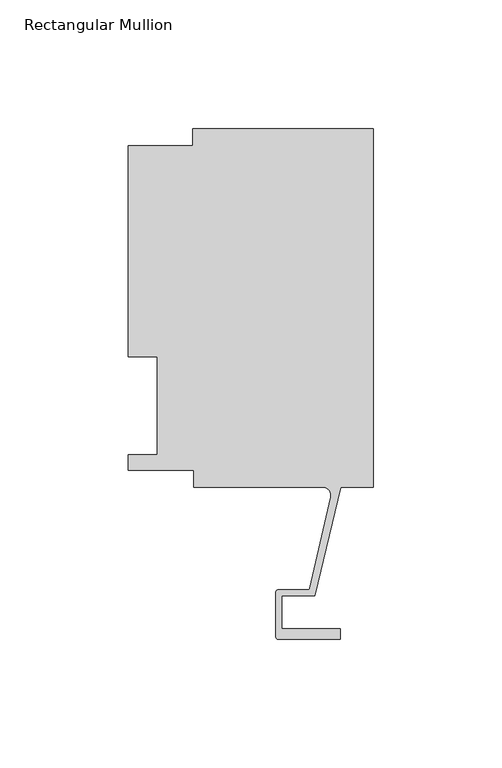
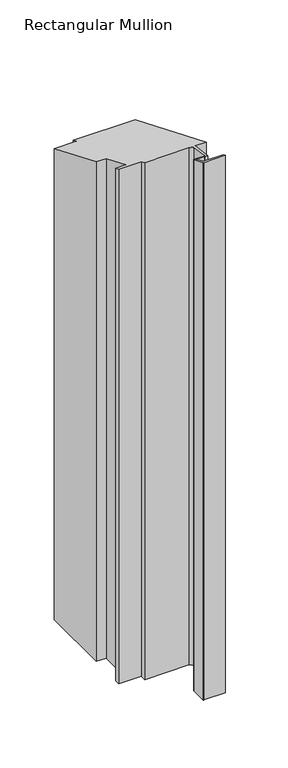
"""IFC4 building model written with IfcOpenShell, lengths in millimetres: member geometry, Rectangular Mullion."""

from ifc_helpers import new_model, si_unit, frame, origin, place, context, project, spatial, polyline, circle_curve, ellipse_curve, source, transform, mapped, element, save
from ifc_brep_helpers import plane_surface, cylinder_surface, revolved_surface, advanced_brep


def rectangular_mullion_ad9bf691(model_context):
    return source(origin(), model_context, "Body", "AdvancedBrep", [
        advanced_brep(
        [(-70.3072, 133.3497673, -616.102387), (0.0, 133.3497673, -616.102387), (0.0, -6.2261964, -616.102387), (-12.7, -6.2261964, -616.102387), (-22.7594087, -48.4980559, -616.102387), (-35.5718677, -48.4980559, -616.102387), (-35.5718677, -61.4062974, -616.102387), (-12.7611926, -61.4062974, -616.102387), (-12.7611926, -65.3940974, -616.102387), (-37.0704677, -65.3940974, -616.102387), (-37.8578677, -64.6066974, -616.102387), (-37.8578677, -46.9740559, -616.102387), (-37.0958677, -46.2120559, -616.102387), (-25.3893173, -46.2120559, -616.102387), (-24.6514289, -45.6402261, -616.102387), (-16.585275, -10.1039944, -616.102387), (-19.681515, -6.2261976, -616.102387), (-69.85, -6.2261976, -616.102387), (-69.85, 0.4063003, -616.102387), (-95.25, 0.4063003, -616.102387), (-95.25, 6.35, -616.102387), (-84.1375, 6.35, -616.102387), (-84.1375, 44.45, -616.102387), (-95.25, 44.45, -616.102387), (-95.25, 126.6189003, -616.102387), (-70.3072, 126.6189003, -616.102387), (-70.3072, 133.3497673, -55.2352822), (0.0, 133.3497673, -55.2352822), (-70.3072, 126.6189003, -52.4472658), (-95.25, 126.6189003, -52.4472658), (-95.25, 44.45, -18.4117928), (-84.1375, 44.45, -18.4117928), (-84.1375, 6.35, -2.6302561), (-95.25, 6.35, -2.6302561), (-95.25, 0.4063003, -0.1682951), (-69.85, 0.4063003, -0.1682951), (-69.85, -6.2261976, 2.5789755), (-19.681515, -6.2261976, 2.5789755), (-16.585275, -10.1039944, 4.1852115), (-24.6514289, -45.6402261, 18.9048006), (-25.3893173, -46.2120559, 19.1416603), (-37.0958677, -46.2120559, 19.1416603), (-37.8578677, -46.9740559, 19.457291), (-37.8578677, -64.6066974, 26.7609703), (-37.0704677, -65.3940974, 27.087122), (-12.7611926, -65.3940974, 27.087122), (-12.7611926, -61.4062974, 25.4353212), (-35.5718677, -61.4062974, 25.4353212), (-35.5718677, -48.4980559, 20.0885525), (-22.7594087, -48.4980559, 20.0885525), (-12.7, -6.2261964, 2.578975), (0.0, -6.2261964, 2.578975)],
        [
            (0, 1),
            (1, 2),
            (2, 3),
            (3, 4),
            (4, 5),
            (5, 6),
            (6, 7),
            (7, 8),
            (8, 9),
            (9, 10, circle_curve(frame((-37.0704677, -64.6066974, -616.102387), z_axis=(0.0, 0.0, -1.0), x_axis=(0.0, 1.0, 0.0)), 0.7874)),
            (10, 11),
            (11, 12, circle_curve(frame((-37.0958677, -46.9740559, -616.102387), z_axis=(0.0, 0.0, -1.0), x_axis=(0.0, 1.0, 0.0)), 0.762)),
            (12, 13),
            (13, 14, circle_curve(frame((-25.3679884, -45.4775786, -616.102387), z_axis=(0.0, 0.0, 1.0), x_axis=(0.0, 1.0, 0.0)), 0.7347869)),
            (14, 15),
            (15, 16, circle_curve(frame((-19.681515, -9.4011976, -616.102387), z_axis=(0.0, 0.0, 1.0), x_axis=(0.0, 1.0, 0.0)), 3.175)),
            (16, 17),
            (17, 18),
            (18, 19),
            (19, 20),
            (20, 21),
            (21, 22),
            (22, 23),
            (23, 24),
            (24, 25),
            (25, 0),
            (26, 27),
            (27, 1),
            (0, 26),
            (28, 26),
            (25, 28),
            (29, 28),
            (24, 29),
            (30, 29),
            (23, 30),
            (31, 30),
            (22, 31),
            (32, 31),
            (21, 32),
            (33, 32),
            (20, 33),
            (34, 33),
            (19, 34),
            (35, 34),
            (18, 35),
            (36, 35),
            (17, 36),
            (37, 36),
            (16, 37),
            (38, 37, ellipse_curve(frame((-19.681515, -9.4011976, 3.8941036), z_axis=(0.0, 0.38268343236508945, 0.9238795325112868), x_axis=(0.0, 0.923879532511287, -0.3826834323650896)), 3.4365952, 3.175)),
            (15, 38),
            (39, 38),
            (14, 39),
            (40, 39, ellipse_curve(frame((-25.3679884, -45.4775786, 18.8374298), z_axis=(0.0, 0.38268343236508945, 0.9238795325112868), x_axis=(0.0, 0.923879532511287, -0.3826834323650896)), 0.7953276, 0.7347869)),
            (13, 40),
            (41, 40),
            (12, 41),
            (42, 41, ellipse_curve(frame((-37.0958677, -46.9740559, 19.457291), z_axis=(0.0, -0.38268343236508945, -0.9238795325112868), x_axis=(0.0, -0.923879532511287, 0.3826834323650896)), 0.8247829, 0.762)),
            (11, 42),
            (43, 42),
            (10, 43),
            (44, 43, ellipse_curve(frame((-37.0704677, -64.6066974, 26.7609703), z_axis=(0.0, -0.38268343236508945, -0.9238795325112868), x_axis=(0.0, -0.923879532511287, 0.3826834323650896)), 0.8522756, 0.7874)),
            (9, 44),
            (45, 44),
            (8, 45),
            (46, 45),
            (7, 46),
            (47, 46),
            (6, 47),
            (48, 47),
            (5, 48),
            (49, 48),
            (4, 49),
            (50, 49),
            (3, 50),
            (51, 50),
            (2, 51),
            (27, 51),
        ],
        [
            plane_surface(frame((0.0, -158.4452852, -616.102387), z_axis=(0.0, 0.0, -1.0), x_axis=(-1.0, 0.0, 0.0))),
            plane_surface(frame((0.0, 133.3497673, 0.0), z_axis=(0.0, 1.0, 0.0), x_axis=(0.0, 0.0, -1.0))),
            plane_surface(frame((-70.3072, 133.3497673, 0.0), z_axis=(-1.0, 0.0, 0.0), x_axis=(0.0, 0.0, -1.0))),
            plane_surface(frame((-70.3072, 126.6189003, 0.0), z_axis=(0.0, 1.0, 0.0), x_axis=(0.0, 0.0, -1.0))),
            plane_surface(frame((-95.25, 126.6189003, 0.0), z_axis=(-1.0, 0.0, 0.0), x_axis=(0.0, 0.0, -1.0))),
            plane_surface(frame((-95.25, 44.45, 0.0), z_axis=(0.0, -1.0, 0.0), x_axis=(0.0, 0.0, -1.0))),
            plane_surface(frame((-84.1375, 44.45, 0.0), z_axis=(-1.0, 0.0, 0.0), x_axis=(0.0, 0.0, -1.0))),
            plane_surface(frame((-84.1375, 6.35, 0.0), z_axis=(0.0, 1.0, 0.0), x_axis=(0.0, 0.0, -1.0))),
            plane_surface(frame((-95.25, 6.35, 0.0), z_axis=(-1.0, 0.0, 0.0), x_axis=(0.0, 0.0, -1.0))),
            plane_surface(frame((-95.25, 0.4063003, 0.0), z_axis=(0.0, -1.0, 0.0), x_axis=(0.0, 0.0, -1.0))),
            plane_surface(frame((-69.85, 0.4063003, 0.0), z_axis=(-1.0, 0.0, 0.0), x_axis=(0.0, 0.0, -1.0))),
            plane_surface(frame((-69.85, -6.2261976, 0.0), z_axis=(0.0, -1.0, 0.0), x_axis=(0.0, 0.0, -1.0))),
            revolved_surface(polyline([(-19.681515, -6.2261976, -616.102387), (-19.681515, -6.2261976, 5.209231646785392)]), (-19.681515, -9.4011976, 0.0), (0.0, 0.0, -1.0)),
            plane_surface(frame((-16.585275, -10.1039944, 0.0), z_axis=(-0.9751936808086197, 0.2213533033657647, 0.0), x_axis=(0.0, 0.0, -1.0))),
            revolved_surface(polyline([(-25.3679884, -44.7427917, -616.102387), (-25.3679884, -44.7427917, 19.141788495822688)]), (-25.3679884, -45.4775786, 0.0), (0.0, 0.0, -1.0)),
            plane_surface(frame((-25.3893173, -46.2120559, 0.0), z_axis=(0.0, 1.0, 0.0), x_axis=(0.0, 0.0, -1.0))),
            cylinder_surface(frame((-37.0958677, -46.9740559, 0.0), z_axis=(0.0, 0.0, 1.0), x_axis=(0.0, 1.0, 0.0)), 0.762),
            plane_surface(frame((-37.8578677, -46.9740559, 0.0), z_axis=(-1.0, 0.0, 0.0), x_axis=(0.0, 0.0, -1.0))),
            cylinder_surface(frame((-37.0704677, -64.6066974, 0.0), z_axis=(0.0, 0.0, 1.0), x_axis=(0.0, 1.0, 0.0)), 0.7874),
            plane_surface(frame((-37.0704677, -65.3940974, 0.0), z_axis=(0.0, -1.0, 0.0), x_axis=(0.0, 0.0, -1.0))),
            plane_surface(frame((-12.7611926, -65.3940974, 0.0), z_axis=(1.0, 0.0, 0.0), x_axis=(0.0, 0.0, -1.0))),
            plane_surface(frame((-12.7611926, -61.4062974, 0.0), z_axis=(0.0, 1.0, 0.0), x_axis=(0.0, 0.0, -1.0))),
            plane_surface(frame((-35.5718677, -61.4062974, 0.0), z_axis=(1.0, 0.0, 0.0), x_axis=(0.0, 0.0, -1.0))),
            plane_surface(frame((-35.5718677, -48.4980559, 0.0), z_axis=(0.0, -1.0, 0.0), x_axis=(0.0, 0.0, -1.0))),
            plane_surface(frame((-22.7594087, -48.4980559, 0.0), z_axis=(0.9728337932070832, -0.23150466689533117, 0.0), x_axis=(0.0, 0.0, -1.0))),
            plane_surface(frame((-12.7, -6.2261964, 0.0), z_axis=(0.0, -1.0, 0.0), x_axis=(0.0, 0.0, -1.0))),
            plane_surface(frame((0.0, -6.2261964, 0.0), z_axis=(1.0, 0.0, 0.0), x_axis=(0.0, 0.0, -1.0))),
            plane_surface(frame((-304.8, 0.0, 0.0), z_axis=(0.0, 0.38268343236508945, 0.9238795325112868), x_axis=(0.0, 0.9238795325112868, -0.38268343236508945))),
        ],
        [
            (0, [[1, 2, 3, 4, 5, 6, 7, 8, 9, 10, 11, 12, 13, 14, 15, 16, 17, 18, 19, 20, 21, 22, 23, 24, 25, 26]]),
            (1, [[27, 28, -1, 29]]),
            (2, [[30, -29, -26, 31]]),
            (3, [[32, -31, -25, 33]]),
            (4, [[34, -33, -24, 35]]),
            (5, [[36, -35, -23, 37]]),
            (6, [[38, -37, -22, 39]]),
            (7, [[40, -39, -21, 41]]),
            (8, [[42, -41, -20, 43]]),
            (9, [[44, -43, -19, 45]]),
            (10, [[46, -45, -18, 47]]),
            (11, [[48, -47, -17, 49]]),
            (12, [[50, -49, -16, 51]]),
            (13, [[52, -51, -15, 53]]),
            (14, [[54, -53, -14, 55]]),
            (15, [[56, -55, -13, 57]]),
            (16, [[58, -57, -12, 59]]),
            (17, [[60, -59, -11, 61]]),
            (18, [[62, -61, -10, 63]]),
            (19, [[64, -63, -9, 65]]),
            (20, [[66, -65, -8, 67]]),
            (21, [[68, -67, -7, 69]]),
            (22, [[70, -69, -6, 71]]),
            (23, [[72, -71, -5, 73]]),
            (24, [[74, -73, -4, 75]]),
            (25, [[76, -75, -3, 77]]),
            (26, [[78, -77, -2, -28]]),
            (27, [[-30, -32, -34, -36, -38, -40, -42, -44, -46, -48, -50, -52, -54, -56, -58, -60, -62, -64, -66, -68, -70, -72, -74, -76, -78, -27]]),
        ],
    ),
    ])


if __name__ == "__main__":
    model = new_model("IFC4")
    model_context = context("Model", 3, world=origin())
    ifc_project = project(units=[si_unit("LENGTHUNIT", "METRE", prefix="MILLI")], contexts=[model_context])
    site = spatial("IfcSite", under=ifc_project)
    building = spatial("IfcBuilding", under=site)
    placement = place(None, origin())
    rectangular_mullion_shape = rectangular_mullion_ad9bf691(model_context)
    element("IfcMember", 1, ObjectType="Rectangular Mullion", at=placement, inside=building, context=model_context, shape_type="MappedRepresentation", body=[
        mapped(rectangular_mullion_shape, transform((0.0, 0.0, 0.0), x_axis=(1.0, 0.0, 0.0), y_axis=(0.0, 1.0, 0.0), z_axis=(0.0, 0.0, 1.0))),
    ])
    save(model, "model.ifc")
